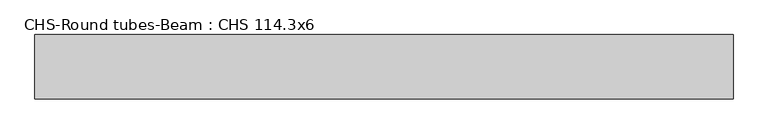
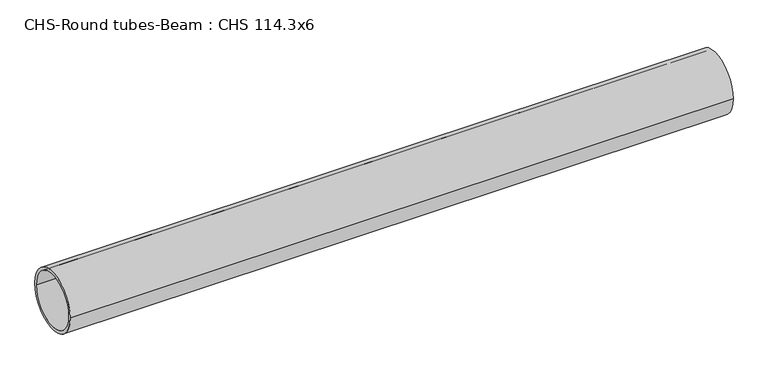
"""IFC4 building model written with IfcOpenShell, lengths in millimetres: beam geometry, CHS-Round tubes-Beam : CHS 114.3x6."""

from ifc_helpers import new_model, si_unit, point, frame, origin, origin_2d, place, context, project, spatial, circle_curve, trimmed, segment, composite_curve, outline, extrude, source, transform, mapped, element, save


def chs_round_tubes_beam_chs_114_3x6_67195375(model_context):
    return source(origin(), model_context, "Body", "SweptSolid", [
        extrude(outline(composite_curve([segment(trimmed(circle_curve(origin_2d(), 57.15), [point((57.15, 0.0))], [point((-57.15, 0.0))], False, "CARTESIAN"), True, "CONTINUOUS"), segment(trimmed(circle_curve(origin_2d(), 57.15), [point((-57.15, 0.0))], [point((57.15, 0.0))], False, "CARTESIAN"), True, "CONTINUOUS")], self_intersect=False), holes=[composite_curve([segment(trimmed(circle_curve(origin_2d(), 51.15), [point((51.15, 0.0))], [point((-51.15, 0.0))], True, "CARTESIAN"), True, "CONTINUOUS"), segment(trimmed(circle_curve(origin_2d(), 51.15), [point((-51.15, 0.0))], [point((51.15, 0.0))], True, "CARTESIAN"), True, "CONTINUOUS")], self_intersect=False)]), frame((-619.4008807, 0.0, 0.0), z_axis=(1.0, 0.0, 0.0), x_axis=(0.0, 1.0, 0.0)), (0.0, 0.0, 1.0), 1238.7170193),
    ])


if __name__ == "__main__":
    model = new_model("IFC4")
    model_context = context("Model", 3, world=origin())
    ifc_project = project(units=[si_unit("LENGTHUNIT", "METRE", prefix="MILLI")], contexts=[model_context])
    site = spatial("IfcSite", under=ifc_project)
    building = spatial("IfcBuilding", under=site)
    placement = place(None, origin())
    chs_round_tubes_beam_chs_114_3x6_shape = chs_round_tubes_beam_chs_114_3x6_67195375(model_context)
    element("IfcBeam", 1, ObjectType="CHS-Round tubes-Beam : CHS 114.3x6", at=placement, inside=building, context=model_context, shape_type="MappedRepresentation", body=[
        mapped(chs_round_tubes_beam_chs_114_3x6_shape, transform((0.0, 0.0, 0.0), x_axis=(1.0, 0.0, 0.0), y_axis=(0.0, 1.0, 0.0), z_axis=(0.0, 0.0, 1.0))),
    ])
    save(model, "model.ifc")
